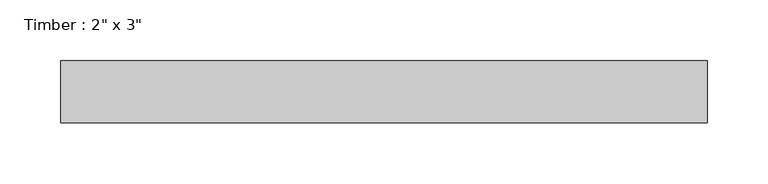
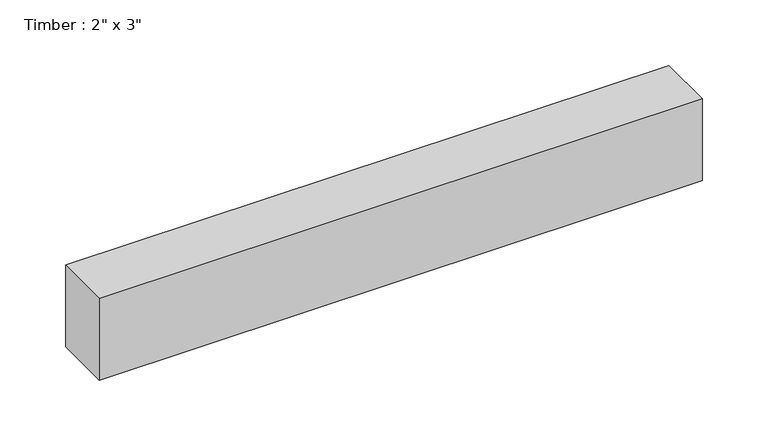
"""IFC4 building model written with IfcOpenShell, lengths in millimetres: beam geometry."""

from ifc_helpers import new_model, si_unit, frame, origin, place, context, project, spatial, polyline, outline, extrude, source, transform, mapped, element, save


def beam_2243fb2f(model_context):
    return source(origin(), model_context, "Body", "SweptSolid", [
        extrude(outline(polyline([(265.260109, -25.4), (-265.260109, -25.4), (-265.260109, 25.4), (265.260109, 25.4), (265.260109, -25.4)])), frame((0.0, 0.0, -38.1), z_axis=(0.0, 0.0, 1.0), x_axis=(1.0, 0.0, 0.0)), (0.0, 0.0, 1.0), 76.2),
    ])


if __name__ == "__main__":
    model = new_model("IFC4")
    model_context = context("Model", 3, world=origin())
    ifc_project = project(units=[si_unit("LENGTHUNIT", "METRE", prefix="MILLI")], contexts=[model_context])
    site = spatial("IfcSite", under=ifc_project)
    building = spatial("IfcBuilding", under=site)
    placement = place(None, origin())
    beam_shape = beam_2243fb2f(model_context)
    element("IfcBeam", 1, ObjectType="Timber : 2\" x 3\"", at=placement, inside=building, context=model_context, shape_type="MappedRepresentation", body=[
        mapped(beam_shape, transform((0.0, 0.0, 0.0), x_axis=(1.0, 0.0, 0.0), y_axis=(0.0, 1.0, 0.0), z_axis=(0.0, 0.0, 1.0))),
    ])
    save(model, "model.ifc")
